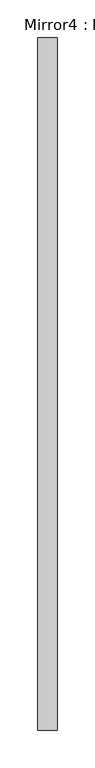
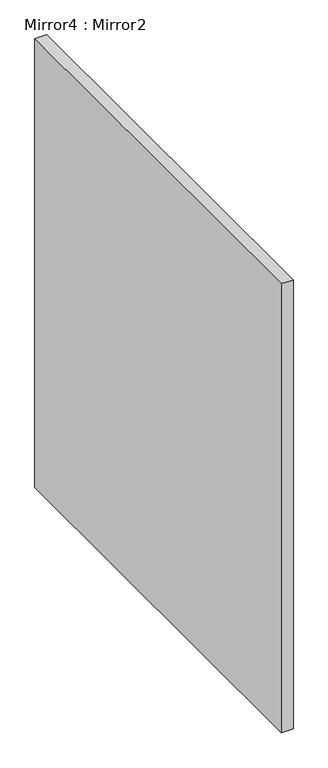
"""IFC4 building model written with IfcOpenShell, lengths in millimetres: proxy geometry, Mirror4 : Mirror2."""

from ifc_helpers import new_model, si_unit, frame, origin, place, context, project, spatial, polyline, outline, extrude, source, transform, mapped, element, save


def mirror4_mirror2_a00d78af(model_context):
    return source(origin(), model_context, "Body", "SweptSolid", [
        extrude(outline(polyline([(15100.1150921, -257545.5671735), (15100.1150921, -258459.9671735), (15074.7150921, -258459.9671735), (15074.7150921, -257545.5671735), (15100.1150921, -257545.5671735)])), frame((0.0, 0.0, 996.1525581), z_axis=(0.0, 0.0, 1.0), x_axis=(1.0, 0.0, 0.0)), (0.0, 0.0, 1.0), 1016.0),
    ])


if __name__ == "__main__":
    model = new_model("IFC4")
    model_context = context("Model", 3, world=origin())
    ifc_project = project(units=[si_unit("LENGTHUNIT", "METRE", prefix="MILLI")], contexts=[model_context])
    site = spatial("IfcSite", under=ifc_project)
    building = spatial("IfcBuilding", under=site)
    placement = place(None, origin())
    mirror4_mirror2_shape = mirror4_mirror2_a00d78af(model_context)
    element("IfcBuildingElementProxy", 1, Name="Mirror4 : Mirror2", ObjectType="Mirror4 : Mirror2", at=placement, inside=building, context=model_context, shape_type="MappedRepresentation", body=[
        mapped(mirror4_mirror2_shape, transform((0.0, 0.0, 0.0), x_axis=(1.0, 0.0, 0.0), y_axis=(0.0, 1.0, 0.0), z_axis=(0.0, 0.0, 1.0))),
    ])
    save(model, "model.ifc")
